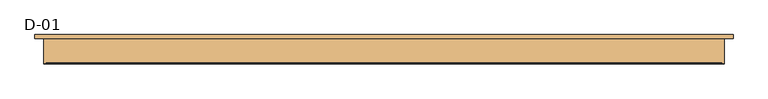
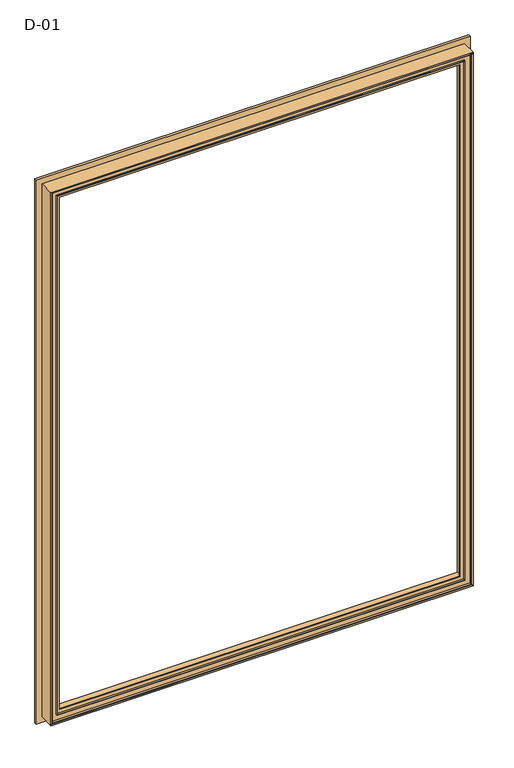
"""IFC4 building model written with IfcOpenShell, lengths in millimetres: door geometry, D-01."""

from ifc_helpers import new_model, si_unit, frame, origin, place, context, project, spatial, polyline, ellipse_curve, source, transform, mapped, element, save
from ifc_brep_helpers import plane_surface, cylinder_surface, revolved_surface, advanced_brep


def d_01_3f93ebf5(model_context):
    return source(origin(), model_context, "Body", "AdvancedBrep", [
        advanced_brep(
        [(770.000038, 110.0, 2020.000038), (770.000038, 110.0, -20.000038), (770.000038, 118.9999375, -20.000038), (770.000038, 118.9999375, 2020.000038), (-770.000038, 118.9999375, 2020.000038), (-770.000038, 118.9999375, -20.000038), (730.0000396, 118.9999375, 1980.0000396), (-730.0000396, 118.9999375, 1980.0000396), (-730.0000396, 118.9999375, 19.9999604), (730.0000396, 118.9999375, 19.9999604), (-770.000038, 110.0, -20.000038), (-770.000038, 110.0, 2020.000038), (-750.0, 110.0, 2000.0), (750.0, 110.0, 2000.0), (750.0, 110.0, 0.0), (-750.0, 110.0, 0.0), (750.0, 54.8507969, 2000.0), (750.0, 54.8507969, 0.0), (-750.0, 54.8507969, 0.0), (745.0001465, 54.8506112, 1995.0001465), (745.0001465, 54.8506112, 4.9998535), (-745.0001465, 54.8506112, 4.9998535), (745.0001465, 56.5920405, 1995.0001465), (745.0001465, 56.5920405, 4.9998535), (-745.0001465, 56.5920405, 4.9998535), (743.8001794, 56.5908144, 1993.8001794), (743.8001794, 56.5908144, 6.1998206), (-743.8001794, 56.5908144, 6.1998206), (743.8001794, 65.9999813, 1993.8001794), (743.8001794, 65.9999813, 6.1998206), (-743.8001794, 65.9999813, 6.1998206), (-743.8001794, 65.9999813, 1993.8001794), (-724.2001794, 65.9999813, 1974.2001794), (724.2001794, 65.9999813, 1974.2001794), (724.2001794, 65.9999813, 25.7998206), (-724.2001794, 65.9999813, 25.7998206), (724.2001794, 61.9999728, 1974.2001794), (724.2001794, 61.9999728, 25.7998206), (-724.2001794, 61.9999728, 25.7998206), (-724.2001794, 61.9999728, 1974.2001794), (-722.6156704, 61.9999728, 1972.6156704), (722.6156704, 61.9999728, 1972.6156704), (722.6156704, 61.9999728, 27.3843296), (-722.6156704, 61.9999728, 27.3843296), (722.8755675, 68.9999299, 1972.8755675), (722.8755675, 68.9999299, 27.1244325), (-722.8755675, 68.9999299, 27.1244325), (-722.8755675, 68.9999299, 1972.8755675), (-710.0002274, 68.9999299, 1960.0002274), (710.0002274, 68.9999299, 1960.0002274), (710.0002274, 68.9999299, 39.9997726), (-710.0002274, 68.9999299, 39.9997726), (710.0002274, 72.5999758, 1960.0002274), (710.0002274, 72.5999758, 39.9997726), (-710.0002274, 72.5999758, 39.9997726), (-730.0000396, 72.5999758, 1980.0000396), (730.0000396, 72.5999758, 1980.0000396), (730.0000396, 72.5999758, 19.9999604), (-730.0000396, 72.5999758, 19.9999604), (-710.0002274, 72.5999758, 1960.0002274), (-750.0, 54.8507969, 2000.0), (-745.0001465, 54.8506112, 1995.0001465), (-745.0001465, 56.5920405, 1995.0001465), (-743.8001794, 56.5908144, 1993.8001794)],
        [
            (0, 1),
            (1, 2),
            (2, 3),
            (3, 0),
            (4, 3),
            (2, 5),
            (5, 4),
            (6, 7),
            (7, 8),
            (8, 9),
            (9, 6),
            (1, 10),
            (10, 5),
            (0, 11),
            (11, 10),
            (12, 13),
            (13, 14),
            (14, 15),
            (15, 12),
            (16, 17),
            (17, 14),
            (13, 16),
            (17, 18),
            (18, 15),
            (19, 20),
            (20, 17, ellipse_curve(frame((747.5001465, 52.8785929, 2.4998535), z_axis=(-0.7071067811865475, 0.0, -0.7071067811865475), x_axis=(0.7071067811865474, 0.0, -0.7071067811865476)), 4.5030781, 3.184157)),
            (16, 19, ellipse_curve(frame((747.5001465, 52.8785929, 1997.5001465), z_axis=(-0.7071067811865475, 0.0, 0.7071067811865475), x_axis=(-0.7071067811865474, 0.0, -0.7071067811865476)), 4.5030781, 3.184157)),
            (20, 21),
            (21, 18, ellipse_curve(frame((-747.5001465, 52.8785929, 2.4998535), z_axis=(-0.7071067811865475, 0.0, 0.7071067811865475), x_axis=(-0.7071067811865476, 0.0, -0.7071067811865474)), 4.5030781, 3.184157)),
            (22, 23),
            (23, 20),
            (19, 22),
            (23, 24),
            (24, 21),
            (25, 26),
            (26, 23, ellipse_curve(frame((744.4001534, 56.6007652, 5.5998466), z_axis=(0.7071067811865475, 0.0, 0.7071067811865475), x_axis=(-0.7071067811865474, 0.0, 0.7071067811865476)), 0.8486081, 0.6000566)),
            (22, 25, ellipse_curve(frame((744.4001534, 56.6007652, 1994.4001534), z_axis=(0.7071067811865475, 0.0, -0.7071067811865475), x_axis=(0.7071067811865474, 0.0, 0.7071067811865476)), 0.8486081, 0.6000566)),
            (26, 27),
            (27, 24, ellipse_curve(frame((-744.4001534, 56.6007652, 5.5998466), z_axis=(0.7071067811865475, 0.0, -0.7071067811865475), x_axis=(0.7071067811865476, 0.0, 0.7071067811865474)), 0.8486081, 0.6000566)),
            (28, 29),
            (29, 26),
            (25, 28),
            (29, 30),
            (30, 27),
            (28, 31),
            (31, 30),
            (32, 33),
            (33, 34),
            (34, 35),
            (35, 32),
            (36, 37),
            (37, 34),
            (33, 36),
            (37, 38),
            (38, 35),
            (36, 39),
            (39, 38),
            (40, 41),
            (41, 42),
            (42, 43),
            (43, 40),
            (44, 45),
            (45, 42),
            (41, 44),
            (45, 46),
            (46, 43),
            (44, 47),
            (47, 46),
            (48, 49),
            (49, 50),
            (50, 51),
            (51, 48),
            (52, 53),
            (53, 50),
            (49, 52),
            (53, 54),
            (54, 51),
            (55, 56),
            (56, 57),
            (57, 58),
            (58, 55),
            (52, 59),
            (59, 54),
            (9, 57),
            (56, 6),
            (8, 58),
            (11, 4),
            (18, 60),
            (60, 12),
            (21, 61),
            (61, 60, ellipse_curve(frame((-747.5001465, 52.8785929, 1997.5001465), z_axis=(0.7071067811865475, 0.0, 0.7071067811865475), x_axis=(-0.7071067811865474, 0.0, 0.7071067811865476)), 4.5030781, 3.184157)),
            (24, 62),
            (62, 61),
            (27, 63),
            (63, 62, ellipse_curve(frame((-744.4001534, 56.6007652, 1994.4001534), z_axis=(-0.7071067811865475, 0.0, -0.7071067811865475), x_axis=(0.7071067811865474, 0.0, -0.7071067811865476)), 0.8486081, 0.6000566)),
            (31, 63),
            (39, 32),
            (47, 40),
            (59, 48),
            (7, 55),
            (60, 16),
            (61, 19),
            (62, 22),
            (63, 25),
        ],
        [
            plane_surface(frame((770.000038, 118.9999375, 2020.000038), z_axis=(1.0, 0.0, 0.0), x_axis=(0.0, 0.0, -1.0))),
            plane_surface(frame((-730.0000396, 118.9999375, 19.9999604), z_axis=(0.0, 1.0, 0.0), x_axis=(0.0, 0.0, 1.0))),
            plane_surface(frame((770.000038, 118.9999375, -20.000038), z_axis=(0.0, 0.0, -1.0), x_axis=(-1.0, 0.0, 0.0))),
            plane_surface(frame((-770.000038, 110.0, -20.000038), z_axis=(0.0, -1.0, 0.0), x_axis=(0.0, 0.0, 1.0))),
            plane_surface(frame((750.0, 110.0, 2000.0), z_axis=(1.0, 0.0, 0.0), x_axis=(0.0, 0.0, -1.0))),
            plane_surface(frame((750.0, 110.0, 0.0), z_axis=(0.0, 0.0, -1.0), x_axis=(-1.0, 0.0, 0.0))),
            revolved_surface(polyline([(750.6843035, 52.8785929, -0.6843035607225829), (750.6843035, 52.8785929, 2000.6843035607226)]), (747.5001465, 52.8785929, 2000.0), (0.0, 0.0, -1.0)),
            revolved_surface(polyline([(-750.6843035607226, 52.8785929, -0.6843035), (750.6843035607227, 52.8785929, -0.6843035)]), (750.0, 52.8785929, 2.4998535), (-1.0, 0.0, 0.0)),
            plane_surface(frame((745.0001465, 54.8506112, 1995.0001465), z_axis=(-1.0, 0.0, 0.0), x_axis=(0.0, 0.0, -1.0))),
            plane_surface(frame((745.0001465, 54.8506112, 4.9998535), z_axis=(0.0, 0.0, 1.0), x_axis=(-1.0, 0.0, 0.0))),
            cylinder_surface(frame((744.4001534, 56.6007652, 2000.0), z_axis=(0.0, 0.0, 1.0), x_axis=(1.0, 0.0, 0.0)), 0.6000566),
            cylinder_surface(frame((750.0, 56.6007652, 5.5998466), z_axis=(1.0, 0.0, 0.0), x_axis=(0.0, 0.0, -1.0)), 0.6000566),
            plane_surface(frame((743.8001794, 56.5908144, 1993.8001794), z_axis=(-1.0, 0.0, 0.0), x_axis=(0.0, 0.0, -1.0))),
            plane_surface(frame((743.8001794, 56.5908144, 6.1998206), z_axis=(0.0, 0.0, 1.0), x_axis=(-1.0, 0.0, 0.0))),
            plane_surface(frame((-743.8001794, 65.9999813, 6.1998206), z_axis=(0.0, -1.0, 0.0), x_axis=(0.0, 0.0, 1.0))),
            plane_surface(frame((724.2001794, 65.9999813, 1974.2001794), z_axis=(1.0, 0.0, 0.0), x_axis=(0.0, 0.0, -1.0))),
            plane_surface(frame((724.2001794, 65.9999813, 25.7998206), z_axis=(0.0, 0.0, -1.0), x_axis=(-1.0, 0.0, 0.0))),
            plane_surface(frame((-724.2001794, 61.9999728, 25.7998206), z_axis=(0.0, -1.0, 0.0), x_axis=(0.0, 0.0, 1.0))),
            plane_surface(frame((722.6156704, 61.9999728, 1972.6156704), z_axis=(-0.9993114533203381, 0.0371028201460986, 0.0), x_axis=(0.0, 0.0, -1.0))),
            plane_surface(frame((722.6156704, 61.9999728, 27.3843296), z_axis=(0.0, 0.03710282014609248, 0.9993114533203383), x_axis=(-1.0, 0.0, 0.0))),
            plane_surface(frame((-722.8755675, 68.9999299, 27.1244325), z_axis=(0.0, -1.0, 0.0), x_axis=(0.0, 0.0, 1.0))),
            plane_surface(frame((710.0002274, 68.9999299, 1960.0002274), z_axis=(-1.0, 0.0, 0.0), x_axis=(0.0, 0.0, -1.0))),
            plane_surface(frame((710.0002274, 68.9999299, 39.9997726), z_axis=(0.0, 0.0, 1.0), x_axis=(-1.0, 0.0, 0.0))),
            plane_surface(frame((-710.0002274, 72.5999758, 39.9997726), z_axis=(0.0, 1.0, 0.0), x_axis=(0.0, 0.0, 1.0))),
            plane_surface(frame((730.0000396, 72.5999758, 1980.0000396), z_axis=(-1.0, 0.0, 0.0), x_axis=(0.0, 0.0, -1.0))),
            plane_surface(frame((730.0000396, 72.5999758, 19.9999604), z_axis=(0.0, 0.0, 1.0), x_axis=(-1.0, 0.0, 0.0))),
            plane_surface(frame((-770.000038, 118.9999375, -20.000038), z_axis=(-1.0, 0.0, 0.0), x_axis=(0.0, 0.0, 1.0))),
            plane_surface(frame((-750.0, 110.0, 0.0), z_axis=(-1.0, 0.0, 0.0), x_axis=(0.0, 0.0, 1.0))),
            revolved_surface(polyline([(-750.6843035, 52.8785929, 2000.6843035607226), (-750.6843035, 52.8785929, -0.6843035607226331)]), (-747.5001465, 52.8785929, 0.0), (0.0, 0.0, 1.0)),
            plane_surface(frame((-745.0001465, 54.8506112, 4.9998535), z_axis=(1.0, 0.0, 0.0), x_axis=(0.0, 0.0, 1.0))),
            cylinder_surface(frame((-744.4001534, 56.6007652, 0.0), z_axis=(0.0, 0.0, -1.0), x_axis=(-1.0, 0.0, 0.0)), 0.6000566),
            plane_surface(frame((-743.8001794, 56.5908144, 6.1998206), z_axis=(1.0, 0.0, 0.0), x_axis=(0.0, 0.0, 1.0))),
            plane_surface(frame((-724.2001794, 65.9999813, 25.7998206), z_axis=(-1.0, 0.0, 0.0), x_axis=(0.0, 0.0, 1.0))),
            plane_surface(frame((-722.6156704, 61.9999728, 27.3843296), z_axis=(0.9993114533203385, 0.03710282014608636, 0.0), x_axis=(0.0, 0.0, 1.0))),
            plane_surface(frame((-710.0002274, 68.9999299, 39.9997726), z_axis=(1.0, 0.0, 0.0), x_axis=(0.0, 0.0, 1.0))),
            plane_surface(frame((-730.0000396, 72.5999758, 19.9999604), z_axis=(1.0, 0.0, 0.0), x_axis=(0.0, 0.0, 1.0))),
            plane_surface(frame((-770.000038, 118.9999375, 2020.000038), z_axis=(0.0, 0.0, 1.0), x_axis=(1.0, 0.0, 0.0))),
            plane_surface(frame((-750.0, 110.0, 2000.0), z_axis=(0.0, 0.0, 1.0), x_axis=(1.0, 0.0, 0.0))),
            revolved_surface(polyline([(750.6843035607226, 52.8785929, 2000.6843035), (-750.6843035607227, 52.8785929, 2000.6843035)]), (-750.0, 52.8785929, 1997.5001465), (1.0, 0.0, 0.0)),
            plane_surface(frame((-745.0001465, 54.8506112, 1995.0001465), z_axis=(0.0, 0.0, -1.0), x_axis=(1.0, 0.0, 0.0))),
            cylinder_surface(frame((-750.0, 56.6007652, 1994.4001534), z_axis=(-1.0, 0.0, 0.0), x_axis=(0.0, 0.0, 1.0)), 0.6000566),
            plane_surface(frame((-743.8001794, 56.5908144, 1993.8001794), z_axis=(0.0, 0.0, -1.0), x_axis=(1.0, 0.0, 0.0))),
            plane_surface(frame((-724.2001794, 65.9999813, 1974.2001794), z_axis=(0.0, 0.0, 1.0), x_axis=(1.0, 0.0, 0.0))),
            plane_surface(frame((-722.6156704, 61.9999728, 1972.6156704), z_axis=(0.0, 0.03710282014609248, -0.9993114533203383), x_axis=(1.0, 0.0, 0.0))),
            plane_surface(frame((-710.0002274, 68.9999299, 1960.0002274), z_axis=(0.0, 0.0, -1.0), x_axis=(1.0, 0.0, 0.0))),
            plane_surface(frame((-730.0000396, 72.5999758, 1980.0000396), z_axis=(0.0, 0.0, -1.0), x_axis=(1.0, 0.0, 0.0))),
        ],
        [
            (0, [[1, 2, 3, 4]]),
            (1, [[5, -3, 6, 7], [8, 9, 10, 11]]),
            (2, [[12, 13, -6, -2]]),
            (3, [[14, 15, -12, -1], [16, 17, 18, 19]]),
            (4, [[20, 21, -17, 22]]),
            (5, [[23, 24, -18, -21]]),
            (6, [[25, 26, -20, 27]]),
            (7, [[28, 29, -23, -26]]),
            (8, [[30, 31, -25, 32]]),
            (9, [[33, 34, -28, -31]]),
            (10, [[35, 36, -30, 37]]),
            (11, [[38, 39, -33, -36]]),
            (12, [[40, 41, -35, 42]]),
            (13, [[43, 44, -38, -41]]),
            (14, [[45, 46, -43, -40], [47, 48, 49, 50]]),
            (15, [[51, 52, -48, 53]]),
            (16, [[54, 55, -49, -52]]),
            (17, [[56, 57, -54, -51], [58, 59, 60, 61]]),
            (18, [[62, 63, -59, 64]]),
            (19, [[65, 66, -60, -63]]),
            (20, [[67, 68, -65, -62], [69, 70, 71, 72]]),
            (21, [[73, 74, -70, 75]]),
            (22, [[76, 77, -71, -74]]),
            (23, [[78, 79, 80, 81], [82, 83, -76, -73]]),
            (24, [[-11, 84, -79, 85]]),
            (25, [[-10, 86, -80, -84]]),
            (26, [[-15, 87, -7, -13]]),
            (27, [[88, 89, -19, -24]]),
            (28, [[90, 91, -88, -29]]),
            (29, [[92, 93, -90, -34]]),
            (30, [[94, 95, -92, -39]]),
            (31, [[-46, 96, -94, -44]]),
            (32, [[-57, 97, -50, -55]]),
            (33, [[-68, 98, -61, -66]]),
            (34, [[-83, 99, -72, -77]]),
            (35, [[-9, 100, -81, -86]]),
            (36, [[-14, -4, -5, -87]]),
            (37, [[101, -22, -16, -89]]),
            (38, [[102, -27, -101, -91]]),
            (39, [[103, -32, -102, -93]]),
            (40, [[104, -37, -103, -95]]),
            (41, [[-45, -42, -104, -96]]),
            (42, [[-56, -53, -47, -97]]),
            (43, [[-67, -64, -58, -98]]),
            (44, [[-82, -75, -69, -99]]),
            (45, [[-8, -85, -78, -100]]),
        ],
    ),
    ])


if __name__ == "__main__":
    model = new_model("IFC4")
    model_context = context("Model", 3, world=origin())
    ifc_project = project(units=[si_unit("LENGTHUNIT", "METRE", prefix="MILLI")], contexts=[model_context])
    site = spatial("IfcSite", under=ifc_project)
    building = spatial("IfcBuilding", under=site)
    placement = place(None, origin())
    d_01_shape = d_01_3f93ebf5(model_context)
    element("IfcDoor", 1, ObjectType="D-01", at=placement, inside=building, context=model_context, shape_type="MappedRepresentation", body=[
        mapped(d_01_shape, transform((0.0, 0.0, 0.0), x_axis=(1.0, 0.0, 0.0), y_axis=(0.0, 1.0, 0.0), z_axis=(0.0, 0.0, 1.0))),
    ])
    save(model, "model.ifc")
